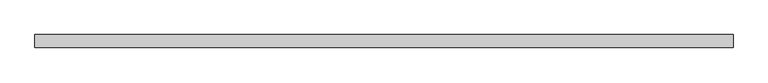
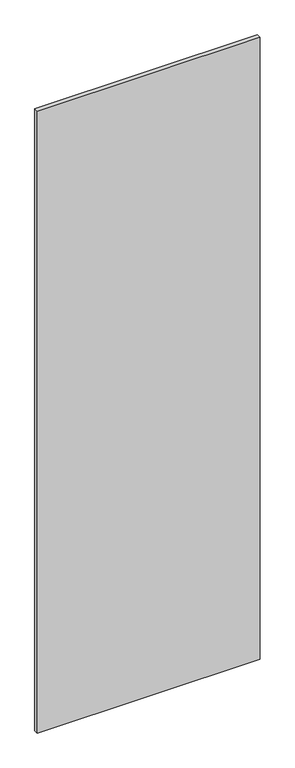
"""IFC4 building model written with IfcOpenShell, lengths in millimetres: proxy geometry."""

from ifc_helpers import new_model, si_unit, frame, origin, place, context, project, spatial, polyline, outline, extrude, source, transform, mapped, element, save


def specialty_equipment_91309c74(model_context):
    return source(origin(), model_context, "Body", "SweptSolid", [
        extrude(outline(polyline([(511.1219219, -9.525), (-511.1219219, -9.525), (-511.1219219, 9.525), (511.1219219, 9.525), (511.1219219, -9.525)])), frame((0.0, 0.0, 3.175), z_axis=(0.0, 0.0, 1.0), x_axis=(1.0, 0.0, 0.0)), (0.0, 0.0, 1.0), 3013.075),
    ])


if __name__ == "__main__":
    model = new_model("IFC4")
    model_context = context("Model", 3, world=origin())
    ifc_project = project(units=[si_unit("LENGTHUNIT", "METRE", prefix="MILLI")], contexts=[model_context])
    site = spatial("IfcSite", under=ifc_project)
    building = spatial("IfcBuilding", under=site)
    placement = place(None, origin())
    specialty_equipment_shape = specialty_equipment_91309c74(model_context)
    element("IfcBuildingElementProxy", 1, Name="Specialty Equipment", at=placement, inside=building, context=model_context, shape_type="MappedRepresentation", body=[
        mapped(specialty_equipment_shape, transform((0.0, 0.0, 0.0), x_axis=(1.0, 0.0, 0.0), y_axis=(0.0, 1.0, 0.0), z_axis=(0.0, 0.0, 1.0))),
    ])
    save(model, "model.ifc")
